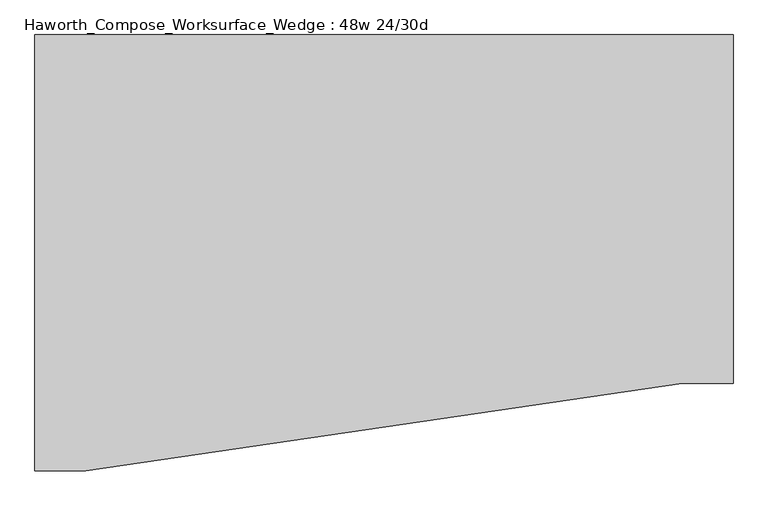
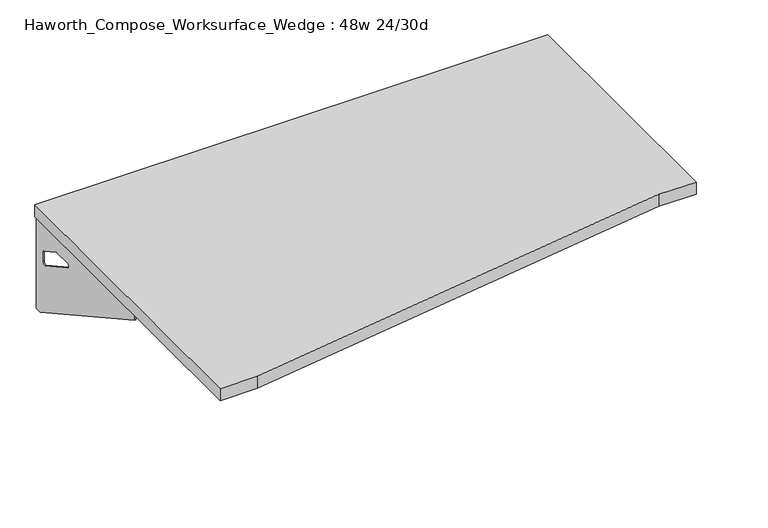
"""IFC4 building model written with IfcOpenShell, lengths in millimetres: furniture geometry, Haworth_Compose_Worksurface_Wedge : 48w 24/30d."""

from ifc_helpers import new_model, si_unit, frame, origin, place, context, project, spatial, polyline, circle_curve, outline, extrude, source, transform, mapped, element, save
from ifc_brep_helpers import plane_surface, revolved_surface, advanced_brep


def haworth_compose_worksurface_wedge_48w_24_30d_7dd4ceb9(model_context):
    return source(origin(), model_context, "Body", "SolidModel", [
        advanced_brep(
        [(604.04375, 381.0, 475.45625), (604.04375, 365.125, 475.45625), (604.04375, -25.4, 691.7192568), (604.04375, -25.4, 704.05625), (604.04375, 365.125, 704.05625), (604.04375, 381.0, 704.05625), (604.04375, 297.690072, 665.95625), (604.04375, 254.0355284, 665.95625), (604.04375, 251.3564235, 656.3705539), (604.04375, 343.0776173, 605.5776439), (604.04375, 352.425, 611.1756969), (604.04375, 352.425, 634.6860246), (604.04375, 350.6730055, 637.5242776), (604.04375, 300.7663437, 665.1613425), (606.425, 381.0, 475.45625), (606.425, 381.0, 704.05625), (606.425, 365.125, 704.05625), (606.425, 365.125, 706.4375), (606.425, -25.4, 706.4375), (606.425, -25.4, 691.7192568), (606.425, 365.125, 475.45625), (606.425, 297.690072, 665.95625), (606.425, 300.7663437, 665.1613425), (606.425, 350.6730055, 637.5242776), (606.425, 352.425, 634.6860246), (606.425, 352.425, 611.1756969), (606.425, 343.0776173, 605.5776439), (606.425, 251.3564235, 656.3705539), (606.425, 254.0355284, 665.95625), (565.15, -25.4, 706.4375), (565.15, -25.4, 704.05625), (565.15, 365.125, 704.05625), (565.15, 365.125, 706.4375)],
        [
            (0, 1),
            (1, 2),
            (2, 3),
            (3, 4),
            (4, 5),
            (5, 0),
            (6, 7),
            (7, 8, circle_curve(frame((604.04375, 254.0355284, 660.7890106), z_axis=(1.0, 0.0, 0.0), x_axis=(0.0, -1.0, 0.0)), 5.1672394)),
            (8, 9),
            (9, 10, circle_curve(frame((604.04375, 346.075, 611.1756969), z_axis=(1.0, 0.0, 0.0), x_axis=(0.0, -1.0, 0.0)), 6.35)),
            (10, 11),
            (11, 12, circle_curve(frame((604.04375, 349.25, 634.6860246), z_axis=(1.0, 0.0, 0.0), x_axis=(0.0, -1.0, 0.0)), 3.175)),
            (12, 13),
            (13, 6, circle_curve(frame((604.04375, 297.690072, 659.60625), z_axis=(1.0, 0.0, 0.0), x_axis=(0.0, -1.0, 0.0)), 6.35)),
            (14, 15),
            (15, 16),
            (16, 17),
            (17, 18),
            (18, 19),
            (19, 20),
            (20, 14),
            (21, 22, circle_curve(frame((606.425, 297.690072, 659.60625), z_axis=(-1.0, 0.0, 0.0), x_axis=(0.0, -1.0, 0.0)), 6.35)),
            (22, 23),
            (23, 24, circle_curve(frame((606.425, 349.25, 634.6860246), z_axis=(-1.0, 0.0, 0.0), x_axis=(0.0, -1.0, 0.0)), 3.175)),
            (24, 25),
            (25, 26, circle_curve(frame((606.425, 346.075, 611.1756969), z_axis=(-1.0, 0.0, 0.0), x_axis=(0.0, -1.0, 0.0)), 6.35)),
            (26, 27),
            (27, 28, circle_curve(frame((606.425, 254.0355284, 660.7890106), z_axis=(-1.0, 0.0, 0.0), x_axis=(0.0, -1.0, 0.0)), 5.1672394)),
            (28, 21),
            (4, 16),
            (15, 5),
            (14, 0),
            (20, 1),
            (19, 2),
            (18, 29),
            (29, 30),
            (30, 3),
            (6, 21),
            (28, 7),
            (9, 26),
            (25, 10),
            (24, 11),
            (23, 12),
            (27, 8),
            (31, 4),
            (30, 31),
            (32, 29),
            (17, 32),
            (31, 32),
            (22, 13),
        ],
        [
            plane_surface(frame((604.04375, 381.0, 475.45625), z_axis=(-1.0, 0.0, 0.0), x_axis=(0.0, 1.0, 0.0))),
            plane_surface(frame((606.425, 381.0, 475.45625), z_axis=(1.0, 0.0, 0.0), x_axis=(0.0, -1.0, 0.0))),
            plane_surface(frame((606.425, -25.4, 704.05625), z_axis=(0.0, 0.0, 1.0), x_axis=(-1.0, 0.0, 0.0))),
            plane_surface(frame((606.425, 381.0, 704.05625), z_axis=(0.0, 1.0, 0.0), x_axis=(-1.0, 0.0, 0.0))),
            plane_surface(frame((606.425, 381.0, 475.45625), z_axis=(0.0, 0.0, -1.0), x_axis=(-1.0, 0.0, 0.0))),
            plane_surface(frame((606.425, 365.125, 475.45625), z_axis=(0.0, -0.48445223513455843, -0.8748177135112952), x_axis=(-1.0, 0.0, 0.0))),
            plane_surface(frame((606.425, -25.4, 691.7192568), z_axis=(0.0, -1.0, 0.0), x_axis=(-1.0, 0.0, 0.0))),
            plane_surface(frame((606.425, 297.690072, 665.95625), z_axis=(0.0, 0.0, -1.0), x_axis=(-1.0, 0.0, 0.0))),
            revolved_surface(polyline([(604.04375, 339.72499999999997, 611.1756969), (606.425, 339.72499999999997, 611.1756969)]), (606.425, 346.075, 611.1756969), (-1.0, 0.0, 0.0)),
            plane_surface(frame((606.425, 352.425, 611.1756969), z_axis=(0.0, -1.0, 0.0), x_axis=(-1.0, 0.0, 0.0))),
            revolved_surface(polyline([(604.04375, 346.075, 634.6860246), (606.425, 346.075, 634.6860246)]), (606.425, 349.25, 634.6860246), (-1.0, 0.0, 0.0)),
            revolved_surface(polyline([(604.04375, 248.868289, 660.7890106), (606.425, 248.868289, 660.7890106)]), (606.425, 254.0355284, 660.7890106), (-1.0, 0.0, 0.0)),
            plane_surface(frame((606.425, 365.125, 704.05625), z_axis=(0.0, 0.0, -1.0), x_axis=(-1.0, 0.0, 0.0))),
            plane_surface(frame((606.425, 365.125, 706.4375), z_axis=(0.0, 0.0, 1.0), x_axis=(1.0, 0.0, 0.0))),
            plane_surface(frame((565.15, 365.125, 706.4375), z_axis=(0.0, 1.0, 0.0), x_axis=(0.0, 0.0, -1.0))),
            plane_surface(frame((565.15, -25.4, 706.4375), z_axis=(-1.0, 0.0, 0.0), x_axis=(0.0, 0.0, -1.0))),
            plane_surface(frame((606.425, 251.3564235, 656.3705539), z_axis=(0.0, 0.4844522351345583, 0.8748177135112953), x_axis=(-1.0, 0.0, 0.0))),
            plane_surface(frame((606.425, 350.6730055, 637.5242776), z_axis=(0.0, -0.4844522351345582, -0.8748177135112953), x_axis=(-1.0, 0.0, 0.0))),
            revolved_surface(polyline([(604.04375, 291.34007199999996, 659.60625), (606.425, 291.34007199999996, 659.60625)]), (606.425, 297.690072, 659.60625), (-1.0, 0.0, 0.0)),
        ],
        [
            (0, [[1, 2, 3, 4, 5, 6], [7, 8, 9, 10, 11, 12, 13, 14]]),
            (1, [[15, 16, 17, 18, 19, 20, 21], [22, 23, 24, 25, 26, 27, 28, 29]]),
            (2, [[-5, 30, -16, 31]]),
            (3, [[-31, -15, 32, -6]]),
            (4, [[-32, -21, 33, -1]]),
            (5, [[-33, -20, 34, -2]]),
            (6, [[-34, -19, 35, 36, 37, -3]]),
            (7, [[38, -29, 39, -7]]),
            (8, [[40, -26, 41, -10]]),
            (9, [[-41, -25, 42, -11]]),
            (10, [[-42, -24, 43, -12]]),
            (11, [[-39, -28, 44, -8]]),
            (12, [[45, -4, -37, 46]]),
            (13, [[47, -35, -18, 48]]),
            (14, [[-17, -30, -45, 49, -48]]),
            (15, [[-36, -47, -49, -46]]),
            (16, [[-44, -27, -40, -9]]),
            (17, [[-43, -23, 50, -13]]),
            (18, [[-50, -22, -38, -14]]),
        ],
    ),
        advanced_brep(
        [(-604.04375, 381.0, 475.45625), (-604.04375, 381.0, 704.05625), (-604.04375, 365.125, 704.05625), (-604.04375, -25.4, 704.05625), (-604.04375, -25.4, 691.7192568), (-604.04375, 365.125, 475.45625), (-604.04375, 297.690072, 665.95625), (-604.04375, 300.7663437, 665.1613425), (-604.04375, 350.6730055, 637.5242776), (-604.04375, 352.425, 634.6860246), (-604.04375, 352.425, 611.1756969), (-604.04375, 343.0776173, 605.5776439), (-604.04375, 251.3564235, 656.3705539), (-604.04375, 254.0355284, 665.95625), (-606.425, 381.0, 475.45625), (-606.425, 365.125, 475.45625), (-606.425, -25.4, 691.7192568), (-606.425, -25.4, 706.4375), (-606.425, 365.125, 706.4375), (-606.425, 365.125, 704.05625), (-606.425, 381.0, 704.05625), (-606.425, 297.690072, 665.95625), (-606.425, 254.0355284, 665.95625), (-606.425, 251.3564235, 656.3705539), (-606.425, 343.0776173, 605.5776439), (-606.425, 352.425, 611.1756969), (-606.425, 352.425, 634.6860246), (-606.425, 350.6730055, 637.5242776), (-606.425, 300.7663437, 665.1613425), (-565.15, -25.4, 704.05625), (-565.15, -25.4, 706.4375), (-565.15, 365.125, 704.05625), (-565.15, 365.125, 706.4375)],
        [
            (0, 1),
            (1, 2),
            (2, 3),
            (3, 4),
            (4, 5),
            (5, 0),
            (6, 7, circle_curve(frame((-604.04375, 297.690072, 659.60625), z_axis=(-1.0, 0.0, 0.0), x_axis=(0.0, -1.0, 0.0)), 6.35)),
            (7, 8),
            (8, 9, circle_curve(frame((-604.04375, 349.25, 634.6860246), z_axis=(-1.0, 0.0, 0.0), x_axis=(0.0, -1.0, 0.0)), 3.175)),
            (9, 10),
            (10, 11, circle_curve(frame((-604.04375, 346.075, 611.1756969), z_axis=(-1.0, 0.0, 0.0), x_axis=(0.0, -1.0, 0.0)), 6.35)),
            (11, 12),
            (12, 13, circle_curve(frame((-604.04375, 254.0355284, 660.7890106), z_axis=(-1.0, 0.0, 0.0), x_axis=(0.0, -1.0, 0.0)), 5.1672394)),
            (13, 6),
            (14, 15),
            (15, 16),
            (16, 17),
            (17, 18),
            (18, 19),
            (19, 20),
            (20, 14),
            (21, 22),
            (22, 23, circle_curve(frame((-606.425, 254.0355284, 660.7890106), z_axis=(1.0, 0.0, 0.0), x_axis=(0.0, -1.0, 0.0)), 5.1672394)),
            (23, 24),
            (24, 25, circle_curve(frame((-606.425, 346.075, 611.1756969), z_axis=(1.0, 0.0, 0.0), x_axis=(0.0, -1.0, 0.0)), 6.35)),
            (25, 26),
            (26, 27, circle_curve(frame((-606.425, 349.25, 634.6860246), z_axis=(1.0, 0.0, 0.0), x_axis=(0.0, -1.0, 0.0)), 3.175)),
            (27, 28),
            (28, 21, circle_curve(frame((-606.425, 297.690072, 659.60625), z_axis=(1.0, 0.0, 0.0), x_axis=(0.0, -1.0, 0.0)), 6.35)),
            (1, 20),
            (19, 2),
            (0, 14),
            (5, 15),
            (4, 16),
            (3, 29),
            (29, 30),
            (30, 17),
            (13, 22),
            (21, 6),
            (10, 25),
            (24, 11),
            (9, 26),
            (8, 27),
            (12, 23),
            (31, 29),
            (2, 31),
            (32, 18),
            (30, 32),
            (32, 31),
            (7, 28),
        ],
        [
            plane_surface(frame((-604.04375, 381.0, 475.45625), z_axis=(1.0, 0.0, 0.0), x_axis=(0.0, 1.0, 0.0))),
            plane_surface(frame((-606.425, 381.0, 475.45625), z_axis=(-1.0, 0.0, 0.0), x_axis=(0.0, -1.0, 0.0))),
            plane_surface(frame((-606.425, -25.4, 704.05625), z_axis=(0.0, 0.0, 1.0), x_axis=(1.0, 0.0, 0.0))),
            plane_surface(frame((-606.425, 381.0, 704.05625), z_axis=(0.0, 1.0, 0.0), x_axis=(1.0, 0.0, 0.0))),
            plane_surface(frame((-606.425, 381.0, 475.45625), z_axis=(0.0, 0.0, -1.0), x_axis=(1.0, 0.0, 0.0))),
            plane_surface(frame((-606.425, 365.125, 475.45625), z_axis=(0.0, -0.48445223513455843, -0.8748177135112952), x_axis=(1.0, 0.0, 0.0))),
            plane_surface(frame((-606.425, -25.4, 691.7192568), z_axis=(0.0, -1.0, 0.0), x_axis=(1.0, 0.0, 0.0))),
            plane_surface(frame((-606.425, 297.690072, 665.95625), z_axis=(0.0, 0.0, -1.0), x_axis=(1.0, 0.0, 0.0))),
            revolved_surface(polyline([(-604.04375, 339.72499999999997, 611.1756969), (-606.425, 339.72499999999997, 611.1756969)]), (-606.425, 346.075, 611.1756969), (1.0, 0.0, 0.0)),
            plane_surface(frame((-606.425, 352.425, 611.1756969), z_axis=(0.0, -1.0, 0.0), x_axis=(1.0, 0.0, 0.0))),
            revolved_surface(polyline([(-604.04375, 346.075, 634.6860246), (-606.425, 346.075, 634.6860246)]), (-606.425, 349.25, 634.6860246), (1.0, 0.0, 0.0)),
            revolved_surface(polyline([(-604.04375, 248.868289, 660.7890106), (-606.425, 248.868289, 660.7890106)]), (-606.425, 254.0355284, 660.7890106), (1.0, 0.0, 0.0)),
            plane_surface(frame((-606.425, 365.125, 704.05625), z_axis=(0.0, 0.0, -1.0), x_axis=(1.0, 0.0, 0.0))),
            plane_surface(frame((-606.425, 365.125, 706.4375), z_axis=(0.0, 0.0, 1.0), x_axis=(-1.0, 0.0, 0.0))),
            plane_surface(frame((-565.15, 365.125, 706.4375), z_axis=(0.0, 1.0, 0.0), x_axis=(0.0, 0.0, -1.0))),
            plane_surface(frame((-565.15, -25.4, 706.4375), z_axis=(1.0, 0.0, 0.0), x_axis=(0.0, 0.0, -1.0))),
            plane_surface(frame((-606.425, 251.3564235, 656.3705539), z_axis=(0.0, 0.4844522351345583, 0.8748177135112953), x_axis=(1.0, 0.0, 0.0))),
            plane_surface(frame((-606.425, 350.6730055, 637.5242776), z_axis=(0.0, -0.4844522351345582, -0.8748177135112953), x_axis=(1.0, 0.0, 0.0))),
            revolved_surface(polyline([(-604.04375, 291.34007199999996, 659.60625), (-606.425, 291.34007199999996, 659.60625)]), (-606.425, 297.690072, 659.60625), (1.0, 0.0, 0.0)),
        ],
        [
            (0, [[1, 2, 3, 4, 5, 6], [7, 8, 9, 10, 11, 12, 13, 14]]),
            (1, [[15, 16, 17, 18, 19, 20, 21], [22, 23, 24, 25, 26, 27, 28, 29]]),
            (2, [[30, -20, 31, -2]]),
            (3, [[-1, 32, -21, -30]]),
            (4, [[-6, 33, -15, -32]]),
            (5, [[-5, 34, -16, -33]]),
            (6, [[-4, 35, 36, 37, -17, -34]]),
            (7, [[-14, 38, -22, 39]]),
            (8, [[-11, 40, -25, 41]]),
            (9, [[-10, 42, -26, -40]]),
            (10, [[-9, 43, -27, -42]]),
            (11, [[-13, 44, -23, -38]]),
            (12, [[45, -35, -3, 46]]),
            (13, [[47, -18, -37, 48]]),
            (14, [[-47, 49, -46, -31, -19]]),
            (15, [[-45, -49, -48, -36]]),
            (16, [[-12, -41, -24, -44]]),
            (17, [[-8, 50, -28, -43]]),
            (18, [[-7, -39, -29, -50]]),
        ],
    ),
        extrude(outline(polyline([(609.6, 381.0), (609.6, -228.6), (520.7, -228.6), (-520.7, -381.0), (-609.6, -381.0), (-609.6, 381.0), (609.6, 381.0)])), frame((0.0, 0.0, 706.4375), z_axis=(0.0, 0.0, 1.0), x_axis=(1.0, 0.0, 0.0)), (0.0, 0.0, 1.0), 30.1625),
    ])


if __name__ == "__main__":
    model = new_model("IFC4")
    model_context = context("Model", 3, world=origin())
    ifc_project = project(units=[si_unit("LENGTHUNIT", "METRE", prefix="MILLI")], contexts=[model_context])
    site = spatial("IfcSite", under=ifc_project)
    building = spatial("IfcBuilding", under=site)
    placement = place(None, origin())
    haworth_compose_worksurface_wedge_48w_24_30d_shape = haworth_compose_worksurface_wedge_48w_24_30d_7dd4ceb9(model_context)
    element("IfcFurniture", 1, ObjectType="Haworth_Compose_Worksurface_Wedge : 48w 24/30d", at=placement, inside=building, context=model_context, shape_type="MappedRepresentation", body=[
        mapped(haworth_compose_worksurface_wedge_48w_24_30d_shape, transform((0.0, 0.0, 0.0), x_axis=(1.0, 0.0, 0.0), y_axis=(0.0, 1.0, 0.0), z_axis=(0.0, 0.0, 1.0))),
    ])
    save(model, "model.ifc")
